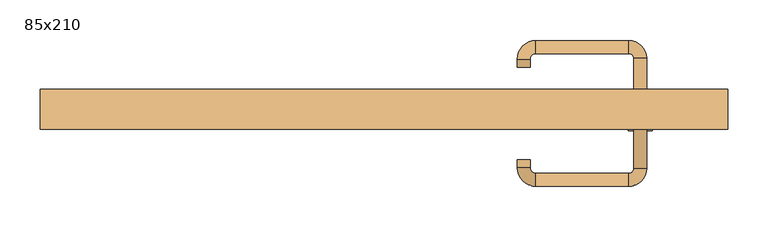
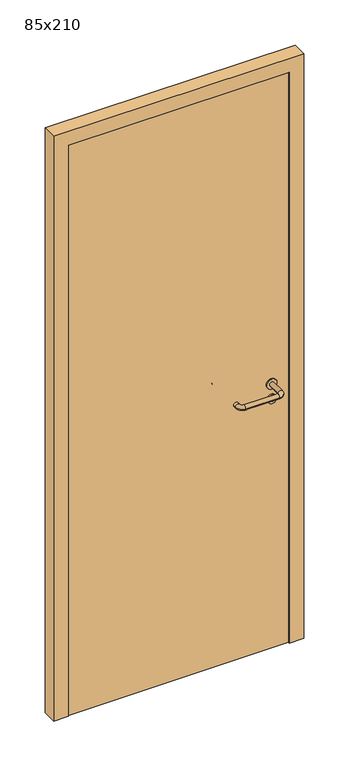
"""IFC4 building model written with IfcOpenShell, lengths in millimetres: door geometry, 85x210."""

from ifc_helpers import new_model, si_unit, point, frame, frame_2d, origin, origin_with_axes, place, context, project, spatial, polyline, circle_curve, ellipse_curve, trimmed, segment, composite_curve, outline, extrude, source, transform, mapped, element, save
from ifc_brep_helpers import plane_surface, cylinder_surface, revolved_surface, advanced_brep


def door_85x210_de5d2260(model_context):
    return source(origin(), model_context, "Body", "SolidModel", [
        extrude(outline(composite_curve([segment(trimmed(circle_curve(frame_2d((897.3605726, 317.0)), 15.0), [point((897.3605726, 332.0))], [point((897.3605726, 302.0))], False, "CARTESIAN"), True, "CONTINUOUS"), segment(trimmed(circle_curve(frame_2d((897.3605726, 317.0)), 15.0), [point((897.3605726, 302.0))], [point((897.3605726, 332.0))], False, "CARTESIAN"), True, "CONTINUOUS")], self_intersect=False), holes=[composite_curve([segment(trimmed(circle_curve(frame_2d((892.5833211, 316.9398032)), 2.0), [point((892.5833211, 318.9398032))], [point((892.5833211, 314.9398032))], True, "CARTESIAN"), True, "CONTINUOUS"), segment(polyline([(892.5833211, 314.9398032), (902.5833211, 314.9398032)]), True, "CONTINUOUS"), segment(trimmed(circle_curve(frame_2d((902.5833211, 316.9398032)), 2.0), [point((902.5833211, 314.9398032))], [point((902.5833211, 318.9398032))], True, "CARTESIAN"), True, "CONTINUOUS"), segment(polyline([(902.5833211, 318.9398032), (892.5833211, 318.9398032)]), True, "CONTINUOUS")], self_intersect=False)]), frame((0.0, -25.0, 0.0), z_axis=(0.0, 1.0, 0.0), x_axis=(0.0, 0.0, 1.0)), (0.0, 0.0, 1.0), 6.35),
        extrude(outline(composite_curve([segment(trimmed(circle_curve(frame_2d((950.0, 317.0)), 17.526), [point((950.0, 334.526))], [point((950.0, 299.474))], False, "CARTESIAN"), True, "CONTINUOUS"), segment(trimmed(circle_curve(frame_2d((950.0, 317.0)), 17.526), [point((950.0, 299.474))], [point((950.0, 334.526))], False, "CARTESIAN"), True, "CONTINUOUS")], self_intersect=False)), frame((0.0, -25.0, 0.0), z_axis=(0.0, 1.0, 0.0), x_axis=(0.0, 0.0, 1.0)), (0.0, 0.0, 1.0), 3.175),
        advanced_brep(
        [(325.0, -25.0, 950.0), (309.0, -25.0, 950.0), (325.0, 28.0, 950.0), (309.0, 28.0, 950.0), (302.8578644, 34.1421356, 950.0), (302.8578644, 50.1421356, 950.0), (187.8578644, 50.1421356, 950.0), (187.8578644, 34.1421356, 950.0), (181.008622, 27.2928932, 950.0), (165.008622, 27.2928932, 950.0), (165.008622, 17.2928932, 950.0), (181.008622, 17.2928932, 950.0)],
        [
            (0, 1, circle_curve(frame((317.0, -25.0, 950.0), z_axis=(0.0, -1.0, 0.0), x_axis=(-1.0, 0.0, 0.0)), 8.0)),
            (1, 0, circle_curve(frame((317.0, -25.0, 950.0), z_axis=(0.0, -1.0, 0.0), x_axis=(-1.0, 0.0, 0.0)), 8.0)),
            (0, 2),
            (2, 3, circle_curve(frame((317.0, 28.0, 950.0), z_axis=(0.0, -1.0, 0.0), x_axis=(-1.0, 0.0, 0.0)), 8.0)),
            (3, 1),
            (3, 2, circle_curve(frame((317.0, 28.0, 950.0), z_axis=(0.0, -1.0, 0.0), x_axis=(-1.0, 0.0, 0.0)), 8.0)),
            (4, 3, circle_curve(frame((302.8578644, 28.0, 950.0), z_axis=(0.0, 0.0, -1.0), x_axis=(1.0, 0.0, 0.0)), 6.1421356)),
            (2, 5, circle_curve(frame((302.8578644, 28.0, 950.0), z_axis=(0.0, 0.0, 1.0), x_axis=(1.0, 0.0, 0.0)), 22.1421356)),
            (5, 4, circle_curve(frame((302.8578644, 42.1421356, 950.0), z_axis=(1.0, 0.0, 0.0), x_axis=(0.0, -1.0, 0.0)), 8.0)),
            (4, 5, circle_curve(frame((302.8578644, 42.1421356, 950.0), z_axis=(1.0, 0.0, 0.0), x_axis=(0.0, -1.0, 0.0)), 8.0)),
            (5, 6),
            (6, 7, circle_curve(frame((187.8578644, 42.1421356, 950.0), z_axis=(1.0, 0.0, 0.0), x_axis=(0.0, -1.0, 0.0)), 8.0)),
            (7, 4),
            (7, 6, circle_curve(frame((187.8578644, 42.1421356, 950.0), z_axis=(1.0, 0.0, 0.0), x_axis=(0.0, -1.0, 0.0)), 8.0)),
            (8, 7, circle_curve(frame((187.8578644, 27.2928932, 950.0), z_axis=(0.0, 0.0, -1.0), x_axis=(0.0, 1.0, 0.0)), 6.8492424)),
            (6, 9, circle_curve(frame((187.8578644, 27.2928932, 950.0), z_axis=(0.0, 0.0, 1.0), x_axis=(0.0, 1.0, 0.0)), 22.8492424)),
            (9, 8, circle_curve(frame((173.008622, 27.2928932, 950.0), z_axis=(0.0, 1.0, 0.0), x_axis=(1.0, 0.0, 0.0)), 8.0)),
            (8, 9, circle_curve(frame((173.008622, 27.2928932, 950.0), z_axis=(0.0, 1.0, 0.0), x_axis=(1.0, 0.0, 0.0)), 8.0)),
            (10, 11, circle_curve(frame((173.008622, 17.2928932, 950.0), z_axis=(0.0, -1.0, 0.0), x_axis=(1.0, 0.0, 0.0)), 8.0)),
            (11, 10, circle_curve(frame((173.008622, 17.2928932, 950.0), z_axis=(0.0, -1.0, 0.0), x_axis=(1.0, 0.0, 0.0)), 8.0)),
            (9, 10),
            (11, 8),
        ],
        [
            plane_surface(frame((317.0, -25.0, 170.0), z_axis=(0.0, -1.0, 0.0), x_axis=(0.0, 0.0, 1.0))),
            cylinder_surface(frame((317.0, -25.0, 950.0), z_axis=(0.0, -1.0, 0.0), x_axis=(-1.0, 0.0, 0.0)), 8.0),
            revolved_surface(trimmed(ellipse_curve(frame((317.0, 28.0, 950.0), z_axis=(0.0, -1.0, 0.0), x_axis=(-1.0, 0.0, 0.0)), 8.0, 8.0), [point((325.0, 28.0, 950.0))], [point((309.0, 28.0, 950.0))], True, "CARTESIAN"), (302.8578644, 28.0, 170.0), (0.0, 0.0, 1.0)),
            revolved_surface(trimmed(ellipse_curve(frame((317.0, 28.0, 950.0), z_axis=(0.0, -1.0, 0.0), x_axis=(-1.0, 0.0, 0.0)), 8.0, 8.0), [point((309.0, 28.0, 950.0))], [point((325.0, 28.0, 950.0))], True, "CARTESIAN"), (302.8578644, 28.0, 170.0), (0.0, 0.0, 1.0)),
            cylinder_surface(frame((302.8578644, 42.1421356, 950.0), z_axis=(1.0, 0.0, 0.0), x_axis=(0.0, -1.0, 0.0)), 8.0),
            revolved_surface(trimmed(ellipse_curve(frame((187.8578644, 42.1421356, 950.0), z_axis=(1.0, 0.0, 0.0), x_axis=(0.0, -1.0, 0.0)), 8.0, 8.0), [point((187.8578644, 50.1421356, 950.0))], [point((187.8578644, 34.1421356, 950.0))], True, "CARTESIAN"), (187.8578644, 27.2928932, 170.0), (0.0, 0.0, 1.0)),
            revolved_surface(trimmed(ellipse_curve(frame((187.8578644, 42.1421356, 950.0), z_axis=(1.0, 0.0, 0.0), x_axis=(0.0, -1.0, 0.0)), 8.0, 8.0), [point((187.8578644, 34.1421356, 950.0))], [point((187.8578644, 50.1421356, 950.0))], True, "CARTESIAN"), (187.8578644, 27.2928932, 170.0), (0.0, 0.0, 1.0)),
            plane_surface(frame((173.008622, 17.2928932, 170.0), z_axis=(0.0, -1.0, 0.0), x_axis=(0.0, 0.0, 1.0))),
            cylinder_surface(frame((173.008622, 27.2928932, 950.0), z_axis=(0.0, 1.0, 0.0), x_axis=(1.0, 0.0, 0.0)), 8.0),
        ],
        [
            (0, [[1, 2]]),
            (1, [[-1, 3, 4, 5]]),
            (1, [[-2, -5, 6, -3]]),
            (2, [[7, -4, 8, 9]]),
            (3, [[-8, -6, -7, 10]]),
            (4, [[-9, 11, 12, 13]]),
            (4, [[-10, -13, 14, -11]]),
            (5, [[15, -12, 16, 17]]),
            (6, [[-16, -14, -15, 18]]),
            (7, [[19, 20]]),
            (8, [[-17, 21, -20, 22]]),
            (8, [[-18, -22, -19, -21]]),
        ],
    ),
        extrude(outline(composite_curve([segment(trimmed(circle_curve(frame_2d((0.0, 15.0)), 15.0), [point((0.0, 30.0))], [point((0.0, 0.0))], False, "CARTESIAN"), True, "CONTINUOUS"), segment(trimmed(circle_curve(frame_2d((0.0, 15.0)), 15.0), [point((0.0, 0.0))], [point((0.0, 30.0))], False, "CARTESIAN"), True, "CONTINUOUS")], self_intersect=False), holes=[composite_curve([segment(trimmed(circle_curve(frame_2d((-4.7772515, 14.9398032)), 2.0), [point((-4.7772515, 16.9398032))], [point((-4.7772515, 12.9398032))], True, "CARTESIAN"), True, "CONTINUOUS"), segment(polyline([(-4.7772515, 12.9398032), (5.2227485, 12.9398032)]), True, "CONTINUOUS"), segment(trimmed(circle_curve(frame_2d((5.2227485, 14.9398032)), 2.0), [point((5.2227485, 12.9398032))], [point((5.2227485, 16.9398032))], True, "CARTESIAN"), True, "CONTINUOUS"), segment(polyline([(5.2227485, 16.9398032), (-4.7772515, 16.9398032)]), True, "CONTINUOUS")], self_intersect=False)]), frame((302.0, -61.35, 897.3605726), z_axis=(-1.8870575173328306e-12, 1.0, 0.0), x_axis=(0.0, 0.0, 1.0)), (0.0, 0.0, 1.0), 6.35),
        extrude(outline(composite_curve([segment(trimmed(circle_curve(frame_2d((0.0, 17.526)), 17.526), [point((0.0, 35.052))], [point((0.0, 0.0))], False, "CARTESIAN"), True, "CONTINUOUS"), segment(trimmed(circle_curve(frame_2d((0.0, 17.526)), 17.526), [point((0.0, 0.0))], [point((0.0, 35.052))], False, "CARTESIAN"), True, "CONTINUOUS")], self_intersect=False)), frame((299.474, -58.175, 950.0), z_axis=(-1.8870575173328306e-12, 1.0, 0.0), x_axis=(0.0, 0.0, 1.0)), (0.0, 0.0, 1.0), 3.175),
        advanced_brep(
        [(325.0, -55.0, 950.0), (309.0, -55.0, 950.0), (309.0, -108.0, 950.0), (325.0, -108.0, 950.0), (302.8578644, -114.1421356, 950.0), (302.8578644, -130.1421356, 950.0), (187.8578644, -114.1421356, 950.0), (187.8578644, -130.1421356, 950.0), (181.008622, -107.2928932, 950.0), (165.008622, -107.2928932, 950.0), (165.008622, -97.2928932, 950.0), (181.008622, -97.2928932, 950.0)],
        [
            (0, 1, circle_curve(frame((317.0, -55.0, 950.0), z_axis=(-1.888672253512351e-12, 1.0, 0.0), x_axis=(-1.0, -1.888672253512351e-12, 0.0)), 8.0)),
            (1, 0, circle_curve(frame((317.0, -55.0, 950.0), z_axis=(-1.888672253512351e-12, 1.0, 0.0), x_axis=(-1.0, -1.888672253512351e-12, 0.0)), 8.0)),
            (1, 2),
            (2, 3, circle_curve(frame((317.0, -108.0, 950.0), z_axis=(-1.888672253512351e-12, 1.0, 0.0), x_axis=(-1.0, -1.888672253512351e-12, 0.0)), 8.0)),
            (3, 0),
            (3, 2, circle_curve(frame((317.0, -108.0, 950.0), z_axis=(-1.888672253512351e-12, 1.0, 0.0), x_axis=(-1.0, -1.888672253512351e-12, 0.0)), 8.0)),
            (4, 5, circle_curve(frame((302.8578644, -122.1421356, 950.0), z_axis=(1.0, 1.913702061528922e-12, 0.0), x_axis=(-1.913702061528922e-12, 1.0, 0.0)), 8.0)),
            (5, 3, circle_curve(frame((302.8578644, -108.0, 950.0), z_axis=(0.0, 0.0, 1.0), x_axis=(1.0, 1.880717803715015e-12, 0.0)), 22.1421356)),
            (2, 4, circle_curve(frame((302.8578644, -108.0, 950.0), z_axis=(0.0, 0.0, -1.0), x_axis=(1.0, 1.880717803715015e-12, 0.0)), 6.1421356)),
            (5, 4, circle_curve(frame((302.8578644, -122.1421356, 950.0), z_axis=(1.0, 1.913702061528922e-12, 0.0), x_axis=(-1.913702061528922e-12, 1.0, 0.0)), 8.0)),
            (4, 6),
            (6, 7, circle_curve(frame((187.8578644, -122.1421356, 950.0), z_axis=(1.0, 1.913719828541269e-12, 0.0), x_axis=(-1.913719828541269e-12, 1.0, 0.0)), 8.0)),
            (7, 5),
            (7, 6, circle_curve(frame((187.8578644, -122.1421356, 950.0), z_axis=(1.0, 1.913719828541269e-12, 0.0), x_axis=(-1.913719828541269e-12, 1.0, 0.0)), 8.0)),
            (8, 9, circle_curve(frame((173.008622, -107.2928932, 950.0), z_axis=(1.890226565746826e-12, -1.0, 0.0), x_axis=(1.0, 1.890226565746826e-12, 0.0)), 8.0)),
            (9, 7, circle_curve(frame((187.8578644, -107.2928932, 950.0), z_axis=(0.0, 0.0, 1.0), x_axis=(1.9120873253494017e-12, -1.0, 0.0)), 22.8492424)),
            (6, 8, circle_curve(frame((187.8578644, -107.2928932, 950.0), z_axis=(0.0, 0.0, -1.0), x_axis=(1.9120873253494017e-12, -1.0, 0.0)), 6.8492424)),
            (9, 8, circle_curve(frame((173.008622, -107.2928932, 950.0), z_axis=(1.890670654956676e-12, -1.0, 0.0), x_axis=(1.0, 1.890670654956676e-12, 0.0)), 8.0)),
            (10, 11, circle_curve(frame((173.008622, -97.2928932, 950.0), z_axis=(-1.8903642334018795e-12, 1.0, 0.0), x_axis=(1.0, 1.8903642334018795e-12, 0.0)), 8.0)),
            (11, 10, circle_curve(frame((173.008622, -97.2928932, 950.0), z_axis=(-1.8903642334018795e-12, 1.0, 0.0), x_axis=(1.0, 1.8903642334018795e-12, 0.0)), 8.0)),
            (8, 11),
            (10, 9),
        ],
        [
            plane_surface(frame((317.0, -55.0, 170.0), z_axis=(-1.8870575173328306e-12, 1.0, 0.0), x_axis=(0.0, 0.0, 1.0))),
            cylinder_surface(frame((317.0, -55.0, 950.0), z_axis=(-1.888672253512351e-12, 1.0, 0.0), x_axis=(-1.0, -1.888672253512351e-12, 0.0)), 8.0),
            revolved_surface(trimmed(ellipse_curve(frame((317.0, -108.0, 950.0), z_axis=(1.8823325398945356e-12, -1.0, 0.0), x_axis=(-1.0, -1.8823325398945356e-12, 0.0)), 8.0, 8.0), [point((325.0, -108.0, 950.0))], [point((309.0, -108.0, 950.0))], True, "CARTESIAN"), (302.8578644, -108.0, 170.0), (0.0, 0.0, 1.0)),
            revolved_surface(trimmed(ellipse_curve(frame((317.0, -108.0, 950.0), z_axis=(1.8823325398945356e-12, -1.0, 0.0), x_axis=(-1.0, -1.8823325398945356e-12, 0.0)), 8.0, 8.0), [point((309.0, -108.0, 950.0))], [point((325.0, -108.0, 950.0))], True, "CARTESIAN"), (302.8578644, -108.0, 170.0), (0.0, 0.0, 1.0)),
            cylinder_surface(frame((302.8578644, -122.1421356, 950.0), z_axis=(1.0, 1.913719828541269e-12, 0.0), x_axis=(-1.913719828541269e-12, 1.0, 0.0)), 8.0),
            revolved_surface(trimmed(ellipse_curve(frame((187.8578644, -122.1421356, 950.0), z_axis=(-1.0, -1.913702061528922e-12, 0.0), x_axis=(-1.913702061528922e-12, 1.0, 0.0)), 8.0, 8.0), [point((187.8578644, -130.1421356, 950.0))], [point((187.8578644, -114.1421356, 950.0))], True, "CARTESIAN"), (187.8578644, -107.2928932, 170.0), (0.0, 0.0, 1.0)),
            revolved_surface(trimmed(ellipse_curve(frame((187.8578644, -122.1421356, 950.0), z_axis=(-1.0, -1.913702061528922e-12, 0.0), x_axis=(-1.913702061528922e-12, 1.0, 0.0)), 8.0, 8.0), [point((187.8578644, -114.1421356, 950.0))], [point((187.8578644, -130.1421356, 950.0))], True, "CARTESIAN"), (187.8578644, -107.2928932, 170.0), (0.0, 0.0, 1.0)),
            plane_surface(frame((173.008622, -97.2928932, 170.0), z_axis=(-1.8887494972223595e-12, 1.0, 0.0), x_axis=(0.0, 0.0, 1.0))),
            cylinder_surface(frame((173.008622, -107.2928932, 950.0), z_axis=(1.8903642334018795e-12, -1.0, 0.0), x_axis=(1.0, 1.8903642334018795e-12, 0.0)), 8.0),
        ],
        [
            (0, [[1, 2]]),
            (1, [[3, 4, 5, -2]]),
            (1, [[-5, 6, -3, -1]]),
            (2, [[7, 8, -4, 9]]),
            (3, [[10, -9, -6, -8]]),
            (4, [[11, 12, 13, -7]]),
            (4, [[-13, 14, -11, -10]]),
            (5, [[15, 16, -12, 17]]),
            (6, [[18, -17, -14, -16]]),
            (7, [[19, 20]]),
            (8, [[21, -19, 22, -15]]),
            (8, [[-22, -20, -21, -18]]),
        ],
    ),
        extrude(outline(polyline([(2050.0, 375.0), (0.0, 375.0), (0.0, 425.0), (2100.0, 425.0), (2100.0, -425.0), (0.0, -425.0), (0.0, -375.0), (2050.0, -375.0), (2050.0, 375.0)])), frame((0.0, -60.0, 0.0), z_axis=(0.0, 1.0, 0.0), x_axis=(0.0, 0.0, 1.0)), (0.0, 0.0, 1.0), 50.0),
        extrude(outline(polyline([(-375.0, -55.0), (-375.0, -25.0), (375.0, -25.0), (375.0, -55.0), (-375.0, -55.0)])), origin_with_axes(), (0.0, 0.0, 1.0), 2050.0),
    ])


if __name__ == "__main__":
    model = new_model("IFC4")
    model_context = context("Model", 3, world=origin())
    ifc_project = project(units=[si_unit("LENGTHUNIT", "METRE", prefix="MILLI")], contexts=[model_context])
    site = spatial("IfcSite", under=ifc_project)
    building = spatial("IfcBuilding", under=site)
    placement = place(None, origin())
    door_85x210_shape = door_85x210_de5d2260(model_context)
    element("IfcDoor", 1, ObjectType="85x210", at=placement, inside=building, context=model_context, shape_type="MappedRepresentation", body=[
        mapped(door_85x210_shape, transform((0.0, 0.0, 0.0), x_axis=(1.0, 0.0, 0.0), y_axis=(0.0, 1.0, 0.0), z_axis=(0.0, 0.0, 1.0))),
    ])
    save(model, "model.ifc")
